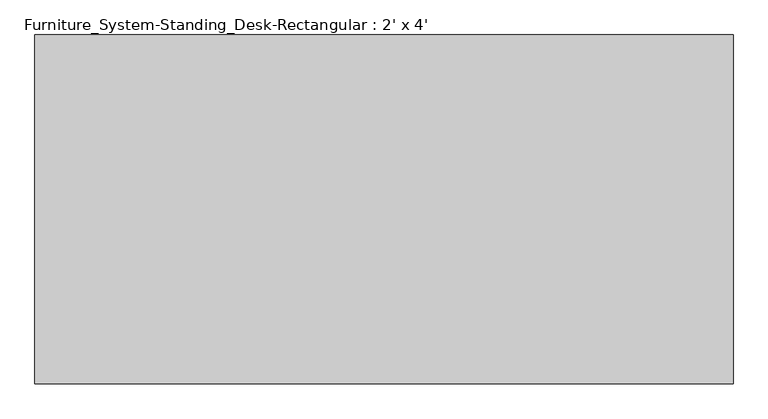
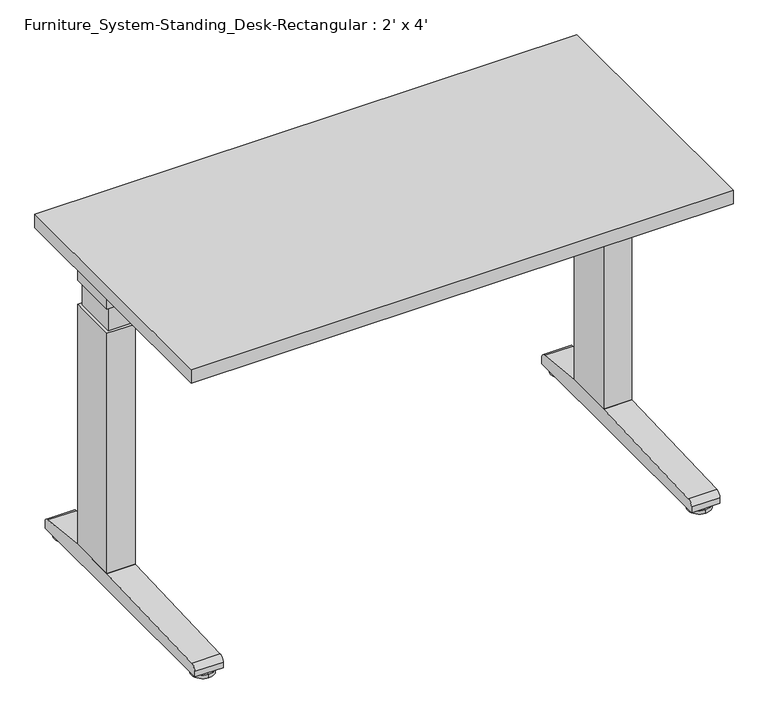
"""IFC4 building model written with IfcOpenShell, lengths in millimetres: furniture geometry, Furniture_System-Standing_Desk-Rectangular : 2' x 4'."""

from ifc_helpers import new_model, si_unit, point, frame, frame_2d, origin, place, context, project, spatial, polyline, circle_curve, trimmed, segment, composite_curve, outline, extrude, source, transform, mapped, element, save
from ifc_brep_helpers import plane_surface, cylinder_surface, advanced_brep


def furniture_system_standing_desk_rectangular_2_x_4_81e59abe(model_context):
    return source(origin(), model_context, "Body", "SolidModel", [
        advanced_brep(
        [(50.8, -539.75, 0.0), (50.8, -590.55, 0.0), (50.8, -565.15, 0.0), (50.8, -539.75, 8.4666667), (50.8, -590.55, 8.4666667), (50.8, -560.9166667, 8.4666667), (50.8, -569.3833333, 8.4666667), (50.8, -560.9166667, 12.7), (50.8, -569.3833333, 12.7), (50.8, -565.15, 12.7)],
        [
            (0, 1, circle_curve(frame((50.8, -565.15, 0.0), z_axis=(0.0, 0.0, -1.0), x_axis=(0.0, -1.0, 0.0)), 25.4)),
            (1, 2),
            (2, 0),
            (1, 0, circle_curve(frame((50.8, -565.15, 0.0), z_axis=(0.0, 0.0, -1.0), x_axis=(0.0, -1.0, 0.0)), 25.4)),
            (3, 4, circle_curve(frame((50.8, -565.15, 8.4666667), z_axis=(0.0, 0.0, -1.0), x_axis=(0.0, -1.0, 0.0)), 25.4)),
            (4, 1),
            (0, 3),
            (4, 3, circle_curve(frame((50.8, -565.15, 8.4666667), z_axis=(0.0, 0.0, -1.0), x_axis=(0.0, -1.0, 0.0)), 25.4)),
            (5, 6, circle_curve(frame((50.8, -565.15, 8.4666667), z_axis=(0.0, 0.0, -1.0), x_axis=(0.0, -1.0, 0.0)), 4.2333333)),
            (6, 4),
            (3, 5),
            (6, 5, circle_curve(frame((50.8, -565.15, 8.4666667), z_axis=(0.0, 0.0, -1.0), x_axis=(0.0, -1.0, 0.0)), 4.2333333)),
            (7, 8, circle_curve(frame((50.8, -565.15, 12.7), z_axis=(0.0, 0.0, -1.0), x_axis=(0.0, -1.0, 0.0)), 4.2333333)),
            (8, 6),
            (5, 7),
            (8, 7, circle_curve(frame((50.8, -565.15, 12.7), z_axis=(0.0, 0.0, -1.0), x_axis=(0.0, -1.0, 0.0)), 4.2333333)),
            (9, 8),
            (7, 9),
        ],
        [
            plane_surface(frame((50.8, -565.15, 0.0), z_axis=(0.0, 0.0, -1.0), x_axis=(0.0, -1.0, 0.0))),
            cylinder_surface(frame((50.8, -565.15, 69.85), z_axis=(0.0, 0.0, 1.0), x_axis=(0.0, -1.0, 0.0)), 25.4),
            plane_surface(frame((50.8, -565.15, 8.4666667), z_axis=(0.0, 0.0, 1.0), x_axis=(0.0, -1.0, 0.0))),
            cylinder_surface(frame((50.8, -565.15, 69.85), z_axis=(0.0, 0.0, 1.0), x_axis=(0.0, -1.0, 0.0)), 4.2333333),
            plane_surface(frame((50.8, -565.15, 12.7), z_axis=(0.0, 0.0, 1.0), x_axis=(0.0, -1.0, 0.0))),
        ],
        [
            (0, [[1, 2, 3]]),
            (0, [[4, -3, -2]]),
            (1, [[5, 6, -1, 7]]),
            (1, [[8, -7, -4, -6]]),
            (2, [[9, 10, -5, 11]]),
            (2, [[12, -11, -8, -10]]),
            (3, [[13, 14, -9, 15]]),
            (3, [[16, -15, -12, -14]]),
            (4, [[17, -13, 18]]),
            (4, [[-18, -16, -17]]),
        ],
    ),
        advanced_brep(
        [(50.8, -57.15, 0.0), (50.8, -6.35, 0.0), (50.8, -6.35, 8.4666667), (50.8, -57.15, 8.4666667), (50.8, -27.5166667, 8.4666667), (50.8, -35.9833333, 8.4666667), (50.8, -27.5166667, 12.7), (50.8, -35.9833333, 12.7), (50.8, -31.75, 12.7), (50.8, -31.75, 0.0)],
        [
            (0, 1, circle_curve(frame((50.8, -31.75, 0.0), z_axis=(0.0, 0.0, 1.0), x_axis=(0.0, 1.0, 0.0)), 25.4)),
            (1, 2),
            (2, 3, circle_curve(frame((50.8, -31.75, 8.4666667), z_axis=(0.0, 0.0, -1.0), x_axis=(0.0, 1.0, 0.0)), 25.4)),
            (3, 0),
            (1, 0, circle_curve(frame((50.8, -31.75, 0.0), z_axis=(0.0, 0.0, 1.0), x_axis=(0.0, 1.0, 0.0)), 25.4)),
            (3, 2, circle_curve(frame((50.8, -31.75, 8.4666667), z_axis=(0.0, 0.0, -1.0), x_axis=(0.0, 1.0, 0.0)), 25.4)),
            (2, 4),
            (4, 5, circle_curve(frame((50.8, -31.75, 8.4666667), z_axis=(0.0, 0.0, -1.0), x_axis=(0.0, 1.0, 0.0)), 4.2333333)),
            (5, 3),
            (5, 4, circle_curve(frame((50.8, -31.75, 8.4666667), z_axis=(0.0, 0.0, -1.0), x_axis=(0.0, 1.0, 0.0)), 4.2333333)),
            (4, 6),
            (6, 7, circle_curve(frame((50.8, -31.75, 12.7), z_axis=(0.0, 0.0, -1.0), x_axis=(0.0, 1.0, 0.0)), 4.2333333)),
            (7, 5),
            (7, 6, circle_curve(frame((50.8, -31.75, 12.7), z_axis=(0.0, 0.0, -1.0), x_axis=(0.0, 1.0, 0.0)), 4.2333333)),
            (6, 8),
            (8, 7),
            (9, 1),
            (0, 9),
        ],
        [
            cylinder_surface(frame((50.8, -31.75, 114.3), z_axis=(0.0, 0.0, -1.0), x_axis=(0.0, 1.0, 0.0)), 25.4),
            plane_surface(frame((50.8, -31.75, 8.4666667), z_axis=(0.0, 0.0, 1.0), x_axis=(0.0, 1.0, 0.0))),
            cylinder_surface(frame((50.8, -31.75, 114.3), z_axis=(0.0, 0.0, -1.0), x_axis=(0.0, 1.0, 0.0)), 4.2333333),
            plane_surface(frame((50.8, -31.75, 12.7), z_axis=(0.0, 0.0, 1.0), x_axis=(0.0, 1.0, 0.0))),
            plane_surface(frame((50.8, -31.75, 0.0), z_axis=(0.0, 0.0, -1.0), x_axis=(0.0, 1.0, 0.0))),
        ],
        [
            (0, [[1, 2, 3, 4]]),
            (0, [[5, -4, 6, -2]]),
            (1, [[-3, 7, 8, 9]]),
            (1, [[-6, -9, 10, -7]]),
            (2, [[-8, 11, 12, 13]]),
            (2, [[-10, -13, 14, -11]]),
            (3, [[-12, 15, 16]]),
            (3, [[-14, -16, -15]]),
            (4, [[17, -1, 18]]),
            (4, [[-18, -5, -17]]),
        ],
    ),
        extrude(outline(polyline([(82.55, -247.65), (19.05, -247.65), (19.05, -133.35), (82.55, -133.35), (82.55, -247.65)])), frame((0.0, 0.0, 679.45), z_axis=(0.0, 0.0, 1.0), x_axis=(1.0, 0.0, 0.0)), (0.0, 0.0, 1.0), 50.8),
        extrude(outline(polyline([(76.2, -241.3), (25.4, -241.3), (25.4, -139.7), (76.2, -139.7), (76.2, -241.3)])), frame((0.0, 0.0, 622.3), z_axis=(0.0, 0.0, 1.0), x_axis=(1.0, 0.0, 0.0)), (0.0, 0.0, 1.0), 57.15),
        extrude(outline(composite_curve([segment(polyline([(-590.55, 12.7), (-590.55, 25.8616628)]), True, "CONTINUOUS"), segment(trimmed(circle_curve(frame_2d((-577.85, 25.8616628)), 12.7), [point((-590.55, 25.8616628))], [point((-578.3200481, 38.5529612))], False, "CARTESIAN"), True, "CONTINUOUS"), segment(polyline([(-578.3200481, 38.5529612), (-247.65, 50.8), (-133.35, 50.8), (-17.7863028, 39.2436303)]), True, "CONTINUOUS"), segment(trimmed(circle_curve(frame_2d((-19.05, 26.606658)), 12.7), [point((-17.7863028, 39.2436303))], [point((-6.35, 26.606658))], False, "CARTESIAN"), True, "CONTINUOUS"), segment(polyline([(-6.35, 26.606658), (-6.35, 12.7), (-590.55, 12.7)]), True, "CONTINUOUS")], self_intersect=False)), frame((19.05, 0.0, 0.0), z_axis=(1.0, 0.0, 0.0), x_axis=(0.0, 1.0, 0.0)), (0.0, 0.0, 1.0), 63.5),
        extrude(outline(polyline([(82.55, -247.65), (19.05, -247.65), (19.05, -133.35), (82.55, -133.35), (82.55, -247.65)])), frame((0.0, 0.0, 50.8), z_axis=(0.0, 0.0, 1.0), x_axis=(1.0, 0.0, 0.0)), (0.0, 0.0, 1.0), 571.5),
        advanced_brep(
        [(1168.4, -539.75, 0.0), (1168.4, -590.55, 0.0), (1168.4, -565.15, 0.0), (1168.4, -539.75, 8.4666667), (1168.4, -590.55, 8.4666667), (1168.4, -560.9166667, 8.4666667), (1168.4, -569.3833333, 8.4666667), (1168.4, -560.9166667, 12.7), (1168.4, -569.3833333, 12.7), (1168.4, -565.15, 12.7)],
        [
            (0, 1, circle_curve(frame((1168.4, -565.15, 0.0), z_axis=(0.0, 0.0, -1.0), x_axis=(0.0, -1.0, 0.0)), 25.4)),
            (1, 2),
            (2, 0),
            (1, 0, circle_curve(frame((1168.4, -565.15, 0.0), z_axis=(0.0, 0.0, -1.0), x_axis=(0.0, -1.0, 0.0)), 25.4)),
            (3, 4, circle_curve(frame((1168.4, -565.15, 8.4666667), z_axis=(0.0, 0.0, -1.0), x_axis=(0.0, -1.0, 0.0)), 25.4)),
            (4, 1),
            (0, 3),
            (4, 3, circle_curve(frame((1168.4, -565.15, 8.4666667), z_axis=(0.0, 0.0, -1.0), x_axis=(0.0, -1.0, 0.0)), 25.4)),
            (5, 6, circle_curve(frame((1168.4, -565.15, 8.4666667), z_axis=(0.0, 0.0, -1.0), x_axis=(0.0, -1.0, 0.0)), 4.2333333)),
            (6, 4),
            (3, 5),
            (6, 5, circle_curve(frame((1168.4, -565.15, 8.4666667), z_axis=(0.0, 0.0, -1.0), x_axis=(0.0, -1.0, 0.0)), 4.2333333)),
            (7, 8, circle_curve(frame((1168.4, -565.15, 12.7), z_axis=(0.0, 0.0, -1.0), x_axis=(0.0, -1.0, 0.0)), 4.2333333)),
            (8, 6),
            (5, 7),
            (8, 7, circle_curve(frame((1168.4, -565.15, 12.7), z_axis=(0.0, 0.0, -1.0), x_axis=(0.0, -1.0, 0.0)), 4.2333333)),
            (9, 8),
            (7, 9),
        ],
        [
            plane_surface(frame((1168.4, -565.15, 0.0), z_axis=(0.0, 0.0, -1.0), x_axis=(0.0, -1.0, 0.0))),
            cylinder_surface(frame((1168.4, -565.15, 69.85), z_axis=(0.0, 0.0, 1.0), x_axis=(0.0, -1.0, 0.0)), 25.4),
            plane_surface(frame((1168.4, -565.15, 8.4666667), z_axis=(0.0, 0.0, 1.0), x_axis=(0.0, -1.0, 0.0))),
            cylinder_surface(frame((1168.4, -565.15, 69.85), z_axis=(0.0, 0.0, 1.0), x_axis=(0.0, -1.0, 0.0)), 4.2333333),
            plane_surface(frame((1168.4, -565.15, 12.7), z_axis=(0.0, 0.0, 1.0), x_axis=(0.0, -1.0, 0.0))),
        ],
        [
            (0, [[1, 2, 3]]),
            (0, [[4, -3, -2]]),
            (1, [[5, 6, -1, 7]]),
            (1, [[8, -7, -4, -6]]),
            (2, [[9, 10, -5, 11]]),
            (2, [[12, -11, -8, -10]]),
            (3, [[13, 14, -9, 15]]),
            (3, [[16, -15, -12, -14]]),
            (4, [[17, -13, 18]]),
            (4, [[-18, -16, -17]]),
        ],
    ),
        advanced_brep(
        [(1168.4, -57.15, 0.0), (1168.4, -6.35, 0.0), (1168.4, -6.35, 8.4666667), (1168.4, -57.15, 8.4666667), (1168.4, -27.5166667, 8.4666667), (1168.4, -35.9833333, 8.4666667), (1168.4, -27.5166667, 12.7), (1168.4, -35.9833333, 12.7), (1168.4, -31.75, 12.7), (1168.4, -31.75, 0.0)],
        [
            (0, 1, circle_curve(frame((1168.4, -31.75, 0.0), z_axis=(0.0, 0.0, 1.0), x_axis=(0.0, 1.0, 0.0)), 25.4)),
            (1, 2),
            (2, 3, circle_curve(frame((1168.4, -31.75, 8.4666667), z_axis=(0.0, 0.0, -1.0), x_axis=(0.0, 1.0, 0.0)), 25.4)),
            (3, 0),
            (1, 0, circle_curve(frame((1168.4, -31.75, 0.0), z_axis=(0.0, 0.0, 1.0), x_axis=(0.0, 1.0, 0.0)), 25.4)),
            (3, 2, circle_curve(frame((1168.4, -31.75, 8.4666667), z_axis=(0.0, 0.0, -1.0), x_axis=(0.0, 1.0, 0.0)), 25.4)),
            (2, 4),
            (4, 5, circle_curve(frame((1168.4, -31.75, 8.4666667), z_axis=(0.0, 0.0, -1.0), x_axis=(0.0, 1.0, 0.0)), 4.2333333)),
            (5, 3),
            (5, 4, circle_curve(frame((1168.4, -31.75, 8.4666667), z_axis=(0.0, 0.0, -1.0), x_axis=(0.0, 1.0, 0.0)), 4.2333333)),
            (4, 6),
            (6, 7, circle_curve(frame((1168.4, -31.75, 12.7), z_axis=(0.0, 0.0, -1.0), x_axis=(0.0, 1.0, 0.0)), 4.2333333)),
            (7, 5),
            (7, 6, circle_curve(frame((1168.4, -31.75, 12.7), z_axis=(0.0, 0.0, -1.0), x_axis=(0.0, 1.0, 0.0)), 4.2333333)),
            (6, 8),
            (8, 7),
            (9, 1),
            (0, 9),
        ],
        [
            cylinder_surface(frame((1168.4, -31.75, 114.3), z_axis=(0.0, 0.0, -1.0), x_axis=(0.0, 1.0, 0.0)), 25.4),
            plane_surface(frame((1168.4, -31.75, 8.4666667), z_axis=(0.0, 0.0, 1.0), x_axis=(0.0, 1.0, 0.0))),
            cylinder_surface(frame((1168.4, -31.75, 114.3), z_axis=(0.0, 0.0, -1.0), x_axis=(0.0, 1.0, 0.0)), 4.2333333),
            plane_surface(frame((1168.4, -31.75, 12.7), z_axis=(0.0, 0.0, 1.0), x_axis=(0.0, 1.0, 0.0))),
            plane_surface(frame((1168.4, -31.75, 0.0), z_axis=(0.0, 0.0, -1.0), x_axis=(0.0, 1.0, 0.0))),
        ],
        [
            (0, [[1, 2, 3, 4]]),
            (0, [[5, -4, 6, -2]]),
            (1, [[-3, 7, 8, 9]]),
            (1, [[-6, -9, 10, -7]]),
            (2, [[-8, 11, 12, 13]]),
            (2, [[-10, -13, 14, -11]]),
            (3, [[-12, 15, 16]]),
            (3, [[-14, -16, -15]]),
            (4, [[17, -1, 18]]),
            (4, [[-18, -5, -17]]),
        ],
    ),
        extrude(outline(polyline([(1200.15, -247.65), (1136.65, -247.65), (1136.65, -133.35), (1200.15, -133.35), (1200.15, -247.65)])), frame((0.0, 0.0, 679.45), z_axis=(0.0, 0.0, 1.0), x_axis=(1.0, 0.0, 0.0)), (0.0, 0.0, 1.0), 50.8),
        extrude(outline(polyline([(1193.8, -241.3), (1143.0, -241.3), (1143.0, -139.7), (1193.8, -139.7), (1193.8, -241.3)])), frame((0.0, 0.0, 622.3), z_axis=(0.0, 0.0, 1.0), x_axis=(1.0, 0.0, 0.0)), (0.0, 0.0, 1.0), 57.15),
        extrude(outline(composite_curve([segment(polyline([(-590.55, 12.7), (-590.55, 25.8616628)]), True, "CONTINUOUS"), segment(trimmed(circle_curve(frame_2d((-577.85, 25.8616628)), 12.7), [point((-590.55, 25.8616628))], [point((-578.3200481, 38.5529612))], False, "CARTESIAN"), True, "CONTINUOUS"), segment(polyline([(-578.3200481, 38.5529612), (-247.65, 50.8), (-133.35, 50.8), (-17.7863028, 39.2436303)]), True, "CONTINUOUS"), segment(trimmed(circle_curve(frame_2d((-19.05, 26.606658)), 12.7), [point((-17.7863028, 39.2436303))], [point((-6.35, 26.606658))], False, "CARTESIAN"), True, "CONTINUOUS"), segment(polyline([(-6.35, 26.606658), (-6.35, 12.7), (-590.55, 12.7)]), True, "CONTINUOUS")], self_intersect=False)), frame((1136.65, 0.0, 0.0), z_axis=(1.0, 0.0, 0.0), x_axis=(0.0, 1.0, 0.0)), (0.0, 0.0, 1.0), 63.5),
        extrude(outline(polyline([(1200.15, -247.65), (1136.65, -247.65), (1136.65, -133.35), (1200.15, -133.35), (1200.15, -247.65)])), frame((0.0, 0.0, 50.8), z_axis=(0.0, 0.0, 1.0), x_axis=(1.0, 0.0, 0.0)), (0.0, 0.0, 1.0), 571.5),
        extrude(outline(polyline([(1219.2, 0.0), (1219.2, -609.6), (0.0, -609.6), (0.0, 0.0), (1219.2, 0.0)])), frame((0.0, 0.0, 730.25), z_axis=(0.0, 0.0, 1.0), x_axis=(1.0, 0.0, 0.0)), (0.0, 0.0, 1.0), 31.75),
    ])


if __name__ == "__main__":
    model = new_model("IFC4")
    model_context = context("Model", 3, world=origin())
    ifc_project = project(units=[si_unit("LENGTHUNIT", "METRE", prefix="MILLI")], contexts=[model_context])
    site = spatial("IfcSite", under=ifc_project)
    building = spatial("IfcBuilding", under=site)
    placement = place(None, origin())
    furniture_system_standing_desk_rectangular_2_x_4_shape = furniture_system_standing_desk_rectangular_2_x_4_81e59abe(model_context)
    element("IfcFurniture", 1, ObjectType="Furniture_System-Standing_Desk-Rectangular : 2' x 4'", at=placement, inside=building, context=model_context, shape_type="MappedRepresentation", body=[
        mapped(furniture_system_standing_desk_rectangular_2_x_4_shape, transform((0.0, 0.0, 0.0), x_axis=(1.0, 0.0, 0.0), y_axis=(0.0, 1.0, 0.0), z_axis=(0.0, 0.0, 1.0))),
    ])
    save(model, "model.ifc")
